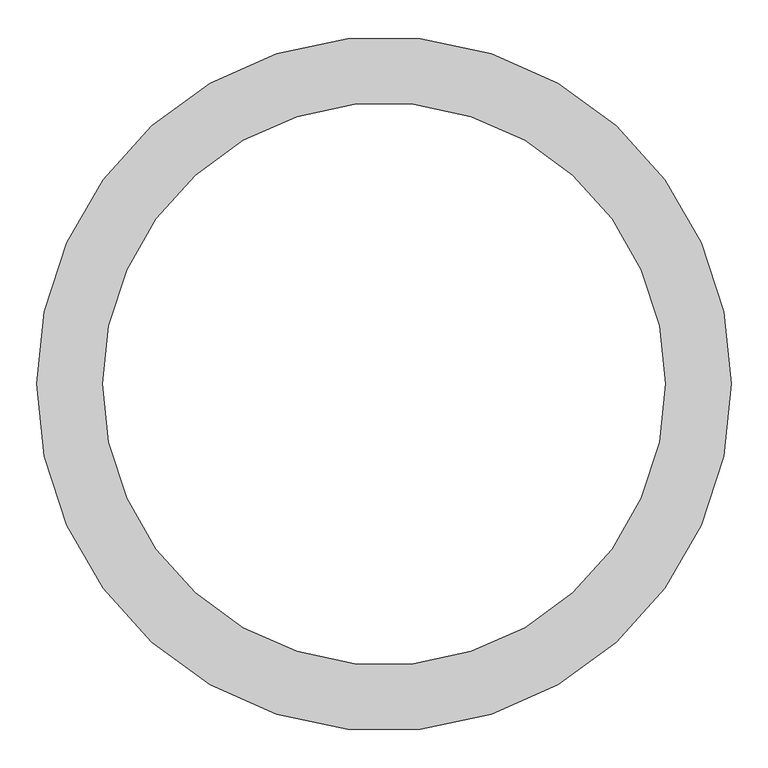
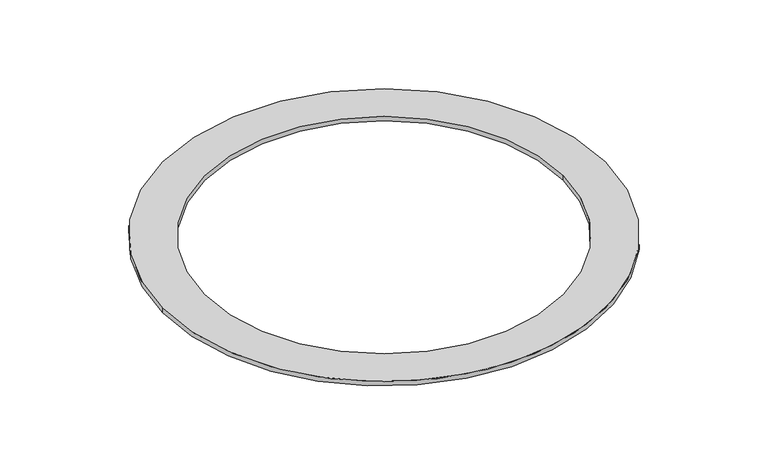
"""IFC4 building model written with IfcOpenShell, lengths in millimetres: furniture geometry."""

from ifc_helpers import new_model, si_unit, point, origin, origin_with_axes, origin_2d, place, context, project, spatial, circle_curve, trimmed, segment, composite_curve, outline, extrude, source, transform, mapped, element, save


def furniture_b830bbca(model_context):
    return source(origin(), model_context, "Body", "SweptSolid", [
        extrude(outline(composite_curve([segment(trimmed(circle_curve(origin_2d(), 473.0229763), [point((-473.0229763, 0.0))], [point((473.0229763, 0.0))], False, "CARTESIAN"), True, "CONTINUOUS"), segment(trimmed(circle_curve(origin_2d(), 473.0229763), [point((473.0229763, 0.0))], [point((-473.0229763, 0.0))], False, "CARTESIAN"), True, "CONTINUOUS")], self_intersect=False), holes=[composite_curve([segment(trimmed(circle_curve(origin_2d(), 383.0229763), [point((383.0229763, 0.0))], [point((-383.0229763, 0.0))], True, "CARTESIAN"), True, "CONTINUOUS"), segment(trimmed(circle_curve(origin_2d(), 383.0229763), [point((-383.0229763, 0.0))], [point((383.0229763, 0.0))], True, "CARTESIAN"), True, "CONTINUOUS")], self_intersect=False)]), origin_with_axes(), (0.0, 0.0, 1.0), 10.0),
    ])


if __name__ == "__main__":
    model = new_model("IFC4")
    model_context = context("Model", 3, world=origin())
    ifc_project = project(units=[si_unit("LENGTHUNIT", "METRE", prefix="MILLI")], contexts=[model_context])
    site = spatial("IfcSite", under=ifc_project)
    building = spatial("IfcBuilding", under=site)
    placement = place(None, origin())
    furniture_shape = furniture_b830bbca(model_context)
    element("IfcFurniture", 1, at=placement, inside=building, context=model_context, shape_type="MappedRepresentation", body=[
        mapped(furniture_shape, transform((0.0, 0.0, 0.0), x_axis=(1.0, 0.0, 0.0), y_axis=(0.0, 1.0, 0.0), z_axis=(0.0, 0.0, 1.0))),
    ])
    save(model, "model.ifc")
